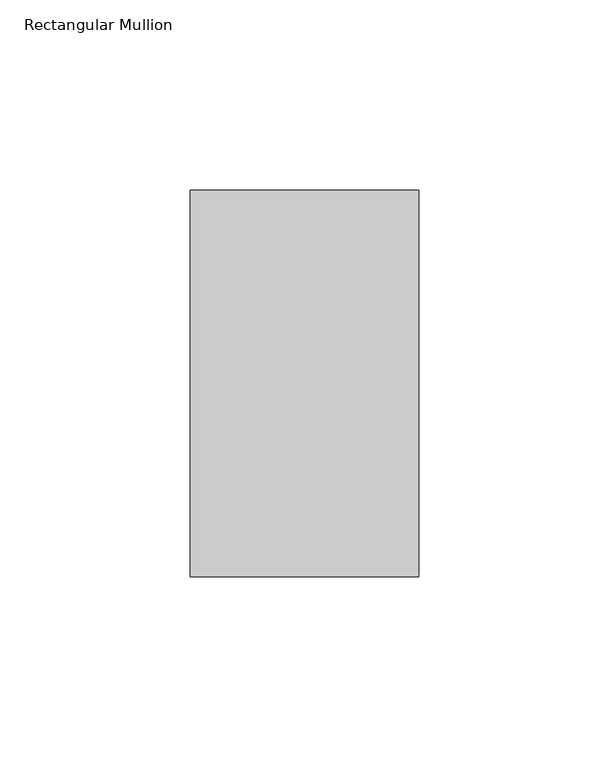
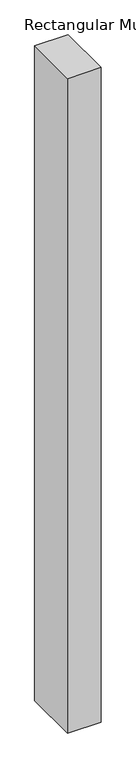
"""IFC4 building model written with IfcOpenShell, lengths in millimetres: member geometry, Rectangular Mullion."""

from ifc_helpers import new_model, si_unit, frame, origin, place, context, project, spatial, polyline, outline, extrude, source, transform, mapped, element, save


def rectangular_mullion_ce8d0f8c(model_context):
    return source(origin(), model_context, "Body", "SweptSolid", [
        extrude(outline(polyline([(30.0, 50.8), (30.0, -50.8), (-30.0, -50.8), (-30.0, 50.8), (30.0, 50.8)])), frame((0.0, 0.0, -1240.0), z_axis=(0.0, 0.0, 1.0), x_axis=(1.0, 0.0, 0.0)), (0.0, 0.0, 1.0), 1240.0),
    ])


if __name__ == "__main__":
    model = new_model("IFC4")
    model_context = context("Model", 3, world=origin())
    ifc_project = project(units=[si_unit("LENGTHUNIT", "METRE", prefix="MILLI")], contexts=[model_context])
    site = spatial("IfcSite", under=ifc_project)
    building = spatial("IfcBuilding", under=site)
    placement = place(None, origin())
    rectangular_mullion_shape = rectangular_mullion_ce8d0f8c(model_context)
    element("IfcMember", 1, ObjectType="Rectangular Mullion", at=placement, inside=building, context=model_context, shape_type="MappedRepresentation", body=[
        mapped(rectangular_mullion_shape, transform((0.0, 0.0, 0.0), x_axis=(1.0, 0.0, 0.0), y_axis=(0.0, 1.0, 0.0), z_axis=(0.0, 0.0, 1.0))),
    ])
    save(model, "model.ifc")
